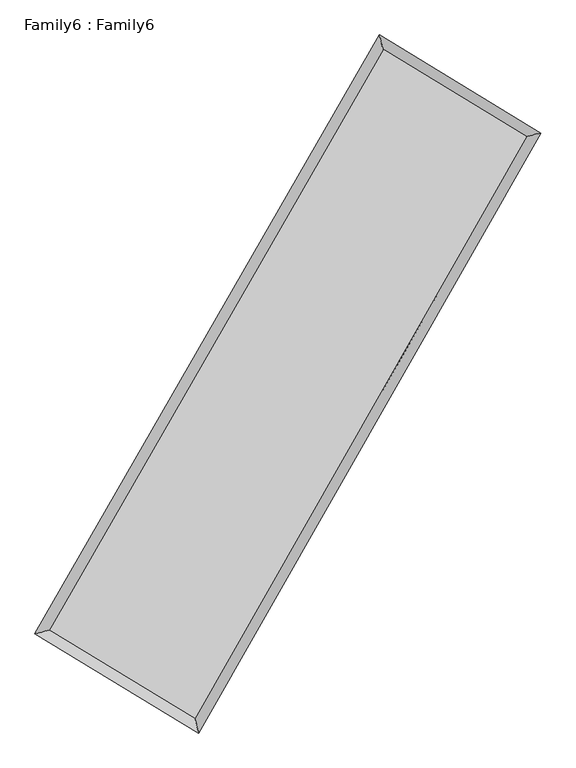
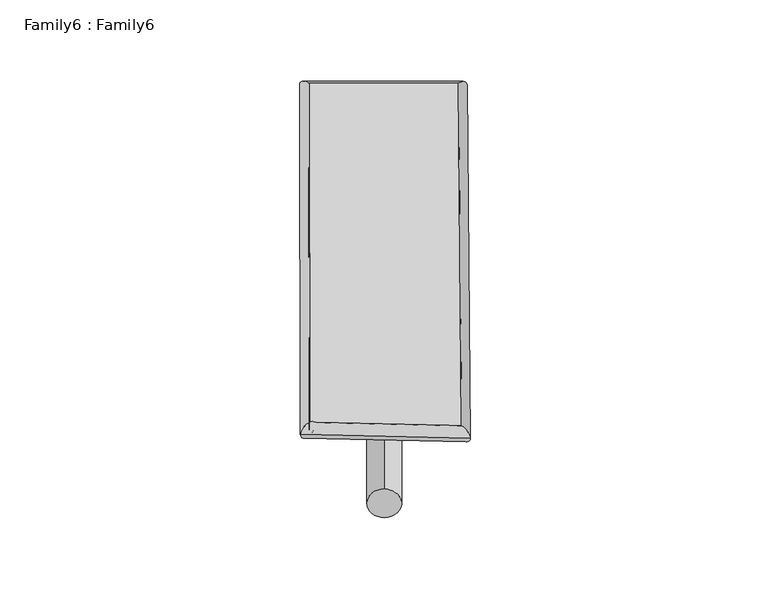
"""IFC4 building model written with IfcOpenShell, lengths in millimetres: plate geometry, Family6 : Family6."""

from ifc_helpers import new_model, si_unit, point, frame, origin, origin_2d, place, context, project, spatial, circle_curve, ellipse_curve, trimmed, segment, composite_curve, outline, extrude, source, transform, mapped, element, save
from ifc_brep_helpers import plane_surface, cylinder_surface, spline_surface, advanced_brep


def family6_family6_d8ccf723(model_context):
    return source(origin(), model_context, "Body", "SolidModel", [
        extrude(outline(composite_curve([segment(trimmed(circle_curve(origin_2d(), 76.2), [point((-75.4341514, -10.7763074))], [point((75.4341514, 10.7763074))], False, "CARTESIAN"), True, "CONTINUOUS"), segment(trimmed(circle_curve(origin_2d(), 76.2), [point((75.4341514, 10.7763074))], [point((-75.4341514, -10.7763074))], False, "CARTESIAN"), True, "CONTINUOUS")], self_intersect=False)), frame((9144.0, 9144.0, 0.0), z_axis=(0.6679938272374418, 0.6905044504152029, 0.2774668461807166), x_axis=(-0.6827275314062484, 0.717001583169546, -0.14068350149287143)), (0.0, 0.0, 1.0), 5548.317361),
        extrude(outline(composite_curve([segment(trimmed(circle_curve(origin_2d(), 76.2), [point((-53.8815367, 53.8815368))], [point((53.8815367, -53.8815368))], False, "CARTESIAN"), True, "CONTINUOUS"), segment(trimmed(circle_curve(origin_2d(), 76.2), [point((53.8815367, -53.8815368))], [point((-53.8815367, 53.8815368))], False, "CARTESIAN"), True, "CONTINUOUS")], self_intersect=False)), frame((9144.0, 9144.0, 0.0), z_axis=(-0.6707654725518728, -0.6879436463903007, 0.2771411557735153), x_axis=(0.6445109630195293, -0.3557736080757829, 0.6767796970539071)), (0.0, 0.0, 1.0), 5554.6380935),
        extrude(outline(composite_curve([segment(trimmed(circle_curve(origin_2d(), 76.2), [point((-53.8815367, -53.8815368))], [point((53.8815367, 53.8815368))], False, "CARTESIAN"), True, "CONTINUOUS"), segment(trimmed(circle_curve(origin_2d(), 76.2), [point((53.8815367, 53.8815368))], [point((-53.8815367, -53.8815368))], False, "CARTESIAN"), True, "CONTINUOUS")], self_intersect=False)), frame((9144.0, 9144.0, 0.0), z_axis=(0.26162143755070444, 0.9269989358768315, 0.26875117915485586), x_axis=(-0.8417129133068019, 0.3553926707566015, -0.4064669988388554)), (0.0, 0.0, 1.0), 5602.2645731),
        extrude(outline(composite_curve([segment(trimmed(circle_curve(origin_2d(), 76.2), [point((-75.4341514, 10.7763073))], [point((75.4341514, -10.7763073))], False, "CARTESIAN"), True, "CONTINUOUS"), segment(trimmed(circle_curve(origin_2d(), 76.2), [point((75.4341514, -10.7763073))], [point((-75.4341514, 10.7763073))], False, "CARTESIAN"), True, "CONTINUOUS")], self_intersect=False)), frame((9144.0, 9144.0, 0.0), z_axis=(-0.25815007660213035, -0.9280136654738929, 0.2686059840063584), x_axis=(0.8838959542578666, -0.1146402396171963, 0.45341543589415584)), (0.0, 0.0, 1.0), 5606.4769921),
        advanced_brep(
        [(5211.7752552, 5269.7014517, 1536.8288752), (5211.7397924, 5269.6533669, 1542.6226978), (5624.5058535, 5375.7425795, 1542.008767), (10663.8314646, 14126.022904, 1509.1962167), (10555.5135577, 14548.5636916, 1502.0342032), (5624.5413163, 5375.7906642, 1536.2149444), (12644.4282148, 12921.9178724, 1539.1264887), (13056.0552826, 13028.3577878, 1539.8217508), (7641.8650415, 4152.575518, 1506.5683324), (7751.5100286, 3729.6499544, 1505.2982061)],
        [
            (0, 1, ellipse_curve(frame((5418.1405544, 5322.7220156, 1539.4188211), z_axis=(-0.24891523254388334, 0.9685033661229461, 0.006514354622437542), x_axis=(-0.9684436158930155, -0.24897595556514587, 0.011310896802822455)), 213.1394432, 152.4)),
            (1, 2, ellipse_curve(frame((5418.1405544, 5322.7220156, 1539.4188211), z_axis=(-0.24891523254388334, 0.9685033661229461, 0.006514354622437542), x_axis=(-0.9684436158930155, -0.24897595556514587, 0.011310896802822455)), 213.1394432, 152.4)),
            (2, 3),
            (3, 4, ellipse_curve(frame((10609.6725112, 14337.2932978, 1505.61521), z_axis=(-0.9686267835915261, -0.2484237093926095, -0.006914818923974806), x_axis=(0.24833815187357555, -0.9686075588733136, 0.01129421168109248)), 218.1341441, 152.4)),
            (4, 0),
            (2, 5, ellipse_curve(frame((5418.1405544, 5322.7220156, 1539.4188211), z_axis=(-0.24891523254388334, 0.9685033661229461, 0.006514354622437542), x_axis=(-0.9684436158930155, -0.24897595556514587, 0.011310896802822455)), 213.1394432, 152.4)),
            (5, 0, ellipse_curve(frame((5418.1405544, 5322.7220156, 1539.4188211), z_axis=(-0.24891523254388334, 0.9685033661229461, 0.006514354622437542), x_axis=(-0.9684436158930155, -0.24897595556514587, 0.011310896802822455)), 213.1394432, 152.4)),
            (4, 3, ellipse_curve(frame((10609.6725112, 14337.2932978, 1505.61521), z_axis=(-0.9686267835915261, -0.2484237093926095, -0.006914818923974806), x_axis=(0.24833815187357555, -0.9686075588733136, 0.01129421168109248)), 218.1341441, 152.4)),
            (3, 6),
            (6, 7, ellipse_curve(frame((12850.2417487, 12975.1378301, 1539.4741198), z_axis=(-0.2503325472612498, 0.9681363371947409, -0.0067563588451816994), x_axis=(-0.968074031735645, -0.25039719539790084, -0.011572105078975051)), 212.5933131, 152.4)),
            (7, 4),
            (7, 6, ellipse_curve(frame((12850.2417487, 12975.1378301, 1539.4741198), z_axis=(-0.2503325472612498, 0.9681363371947409, -0.0067563588451816994), x_axis=(-0.968074031735645, -0.25039719539790084, -0.011572105078975051)), 212.5933131, 152.4)),
            (6, 8),
            (8, 9, ellipse_curve(frame((7696.687535, 3941.1127362, 1505.9332693), z_axis=(0.9679716452496172, 0.25097026723997995, -0.006694695978319663), x_axis=(-0.2508892421484701, 0.967953079555307, 0.011019253766203874)), 218.462194, 152.4)),
            (9, 7),
            (9, 8, ellipse_curve(frame((7696.687535, 3941.1127362, 1505.9332693), z_axis=(0.9679716452496172, 0.25097026723997995, -0.006694695978319663), x_axis=(-0.2508892421484701, 0.967953079555307, 0.011019253766203874)), 218.462194, 152.4)),
            (8, 5),
            (1, 9),
        ],
        [
            cylinder_surface(frame((5418.1405544, 5322.7220156, 1539.4188211), z_axis=(-0.499057413309765, -0.866562830321975, 0.003249511491689028), x_axis=(-0.866423826132511, 0.4989017256561234, -0.020169820208482667)), 152.4),
            cylinder_surface(frame((10609.6725112, 14337.2932978, 1505.61521), z_axis=(-0.8544099445524357, 0.5194390595593719, -0.012911624761390277), x_axis=(0.5195683090118526, 0.854367125988006, -0.010275519527428967)), 152.4),
            cylinder_surface(frame((12850.2417487, 12975.1378301, 1539.4741198), z_axis=(0.49550232281790146, 0.8686006264456703, 0.003224875230660715), x_axis=(0.8686061920117448, -0.49550232281790146, -0.0008551496478034282)), 152.4),
            cylinder_surface(frame((7696.687535, 3941.1127362, 1505.9332693), z_axis=(0.8550185707016112, -0.5184451325082796, -0.012565362463786449), x_axis=(-0.518372383462052, -0.8551103603581137, 0.008737486600178245)), 152.4),
        ],
        [
            (0, [[1, 2, 3, 4, 5]]),
            (0, [[6, 7, -5, 8, -3]]),
            (1, [[-4, 9, 10, 11]]),
            (1, [[-8, -11, 12, -9]]),
            (2, [[-10, 13, 14, 15]]),
            (2, [[-12, -15, 16, -13]]),
            (3, [[-14, 17, -6, -2, 18]]),
            (3, [[-16, -18, -1, -7, -17]]),
        ],
    ),
        extrude(outline(composite_curve([segment(trimmed(circle_curve(origin_2d(), 304.8), [point((0.0, -304.8))], [point((0.0, 304.8))], False, "CARTESIAN"), True, "CONTINUOUS"), segment(trimmed(circle_curve(origin_2d(), 304.8), [point((0.0, 304.8))], [point((0.0, -304.8))], False, "CARTESIAN"), True, "CONTINUOUS")], self_intersect=False)), frame((6531.3852277, 4625.8065184, -0.0072777), z_axis=(0.5005796558019816, 0.8656904805963999, 1.3944054343631679e-06), x_axis=(-0.8656904805974418, 0.5005796558019815, 3.74130114100596e-07)), (0.0, 0.0, 1.0), 10438.3577799),
        advanced_brep(
        [(5418.1405544, 5322.7220156, 1539.4188211), (7696.687535, 3941.1127362, 1505.9332693), (7696.6928195, 3941.1120102, 1658.3332692), (5418.1458388, 5322.7212896, 1691.818821), (12850.2417487, 12975.1378301, 1539.4741198), (12850.2470331, 12975.1371041, 1691.8741197), (10609.6725112, 14337.2932978, 1505.61521), (10609.6777956, 14337.2925718, 1658.0152099)],
        [
            (0, 1),
            (1, 2),
            (2, 3),
            (3, 0),
            (1, 4),
            (4, 5),
            (5, 2),
            (4, 6),
            (6, 7),
            (7, 5),
            (6, 0),
            (3, 7),
        ],
        [
            plane_surface(frame((6557.4140447, 4631.9173759, 1522.6760452), z_axis=(-0.5184859161083601, -0.855086167940939, 1.3905229800675704e-05), x_axis=(0.8550185707016108, -0.5184451325082805, -0.012565362463786438))),
            plane_surface(frame((10273.4646419, 8458.1252831, 1522.7036945), z_axis=(0.8686051945679342, -0.49550480816507597, -3.247911090983207e-05), x_axis=(0.49550232281790174, 0.8686006264456702, 0.003224875230660727))),
            plane_surface(frame((11729.9571299, 13656.2155639, 1522.5446649), z_axis=(0.519482516618764, 0.8544810792130143, -1.3942669132066023e-05), x_axis=(-0.8544099445524356, 0.5194390595593724, -0.012911624761390279))),
            plane_surface(frame((8013.9065328, 9830.0076567, 1522.5170155), z_axis=(-0.8665673524773291, 0.49906013923076165, 3.2425384815766047e-05), x_axis=(-0.49905741330976494, -0.866562830321975, 0.0032495114916890285))),
            spline_surface(1, 1, [[(7696.6928195, 3941.1120102, 1658.3332692), (5418.1458388, 5322.7212896, 1691.818821)], [(12850.2470331, 12975.1371041, 1691.8741197), (10609.6777956, 14337.2925718, 1658.0152099)]], [2, 2], [2, 2], [0.0, 1.0], [0.0, 1.0]),
            spline_surface(1, 1, [[(10609.6725112, 14337.2932978, 1505.61521), (5418.1405544, 5322.7220156, 1539.4188211)], [(12850.2417487, 12975.1378301, 1539.4741198), (7696.687535, 3941.1127362, 1505.9332693)]], [2, 2], [2, 2], [0.0, 1.0], [0.0, 1.0]),
        ],
        [
            (0, [[1, 2, 3, 4]]),
            (1, [[5, 6, 7, -2]]),
            (2, [[8, 9, 10, -6]]),
            (3, [[11, -4, 12, -9]]),
            (4, [[-3, -7, -10, -12]]),
            (5, [[-11, -8, -5, -1]]),
        ],
    ),
    ])


if __name__ == "__main__":
    model = new_model("IFC4")
    model_context = context("Model", 3, world=origin())
    ifc_project = project(units=[si_unit("LENGTHUNIT", "METRE", prefix="MILLI")], contexts=[model_context])
    site = spatial("IfcSite", under=ifc_project)
    building = spatial("IfcBuilding", under=site)
    placement = place(None, origin())
    family6_family6_shape = family6_family6_d8ccf723(model_context)
    element("IfcPlate", 1, ObjectType="Family6 : Family6", at=placement, inside=building, context=model_context, shape_type="MappedRepresentation", body=[
        mapped(family6_family6_shape, transform((0.0, 0.0, 0.0), x_axis=(1.0, 0.0, 0.0), y_axis=(0.0, 1.0, 0.0), z_axis=(0.0, 0.0, 1.0))),
    ])
    save(model, "model.ifc")
